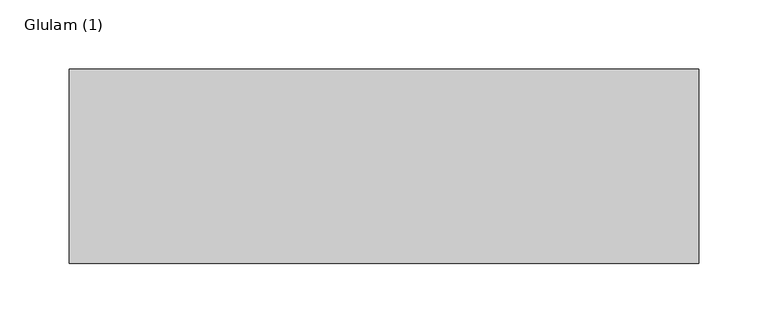
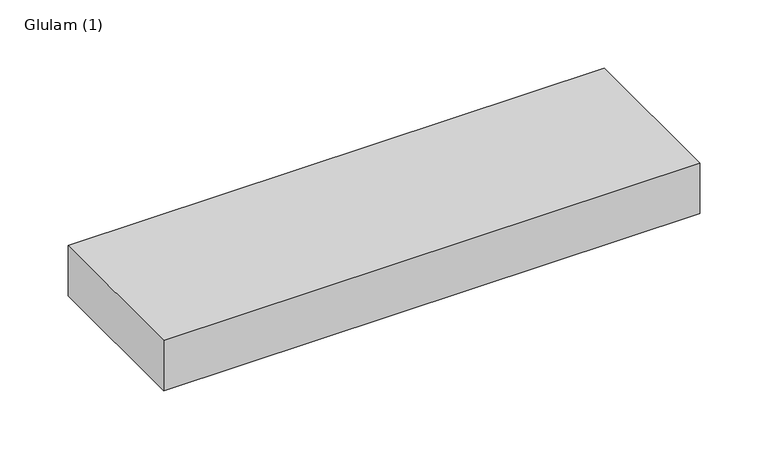
"""IFC4 building model written with IfcOpenShell, lengths in millimetres: beam geometry, Glulam (1)."""

from ifc_helpers import new_model, si_unit, frame, origin, place, context, project, spatial, polyline, outline, extrude, source, transform, mapped, element, save


def glulam_1_47b6d450(model_context):
    return source(origin(), model_context, "Body", "SweptSolid", [
        extrude(outline(polyline([(233.0, 70.0), (233.0, -70.0), (-220.0, -70.0), (-220.0, 70.0), (233.0, 70.0)])), frame((0.0, 0.0, -22.5), z_axis=(0.0, 0.0, 1.0), x_axis=(1.0, 0.0, 0.0)), (0.0, 0.0, 1.0), 45.0),
    ])


if __name__ == "__main__":
    model = new_model("IFC4")
    model_context = context("Model", 3, world=origin())
    ifc_project = project(units=[si_unit("LENGTHUNIT", "METRE", prefix="MILLI")], contexts=[model_context])
    site = spatial("IfcSite", under=ifc_project)
    building = spatial("IfcBuilding", under=site)
    placement = place(None, origin())
    glulam_1_shape = glulam_1_47b6d450(model_context)
    element("IfcBeam", 1, ObjectType="Glulam (1)", at=placement, inside=building, context=model_context, shape_type="MappedRepresentation", body=[
        mapped(glulam_1_shape, transform((0.0, 0.0, 0.0), x_axis=(1.0, 0.0, 0.0), y_axis=(0.0, 1.0, 0.0), z_axis=(0.0, 0.0, 1.0))),
    ])
    save(model, "model.ifc")
